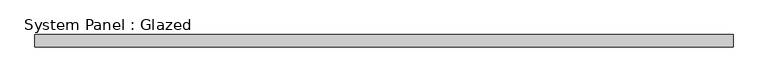
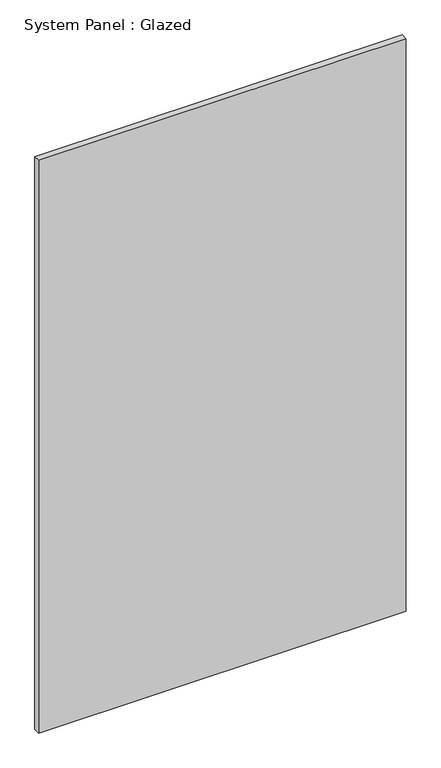
"""IFC4 building model written with IfcOpenShell, lengths in millimetres: plate geometry, System Panel : Glazed."""

from ifc_helpers import new_model, si_unit, origin, origin_with_axes, place, context, project, spatial, polyline, outline, extrude, source, transform, mapped, element, save


def system_panel_glazed_f9fb9fb3(model_context):
    return source(origin(), model_context, "Body", "SweptSolid", [
        extrude(outline(polyline([(705.9210526, 24.5), (-705.9210526, 24.5), (-705.9210526, 49.5), (705.9210526, 49.5), (705.9210526, 24.5)])), origin_with_axes(), (0.0, 0.0, 1.0), 2325.0),
    ])


if __name__ == "__main__":
    model = new_model("IFC4")
    model_context = context("Model", 3, world=origin())
    ifc_project = project(units=[si_unit("LENGTHUNIT", "METRE", prefix="MILLI")], contexts=[model_context])
    site = spatial("IfcSite", under=ifc_project)
    building = spatial("IfcBuilding", under=site)
    placement = place(None, origin())
    system_panel_glazed_shape = system_panel_glazed_f9fb9fb3(model_context)
    element("IfcPlate", 1, ObjectType="System Panel : Glazed", at=placement, inside=building, context=model_context, shape_type="MappedRepresentation", body=[
        mapped(system_panel_glazed_shape, transform((0.0, 0.0, 0.0), x_axis=(1.0, 0.0, 0.0), y_axis=(0.0, 1.0, 0.0), z_axis=(0.0, 0.0, 1.0))),
    ])
    save(model, "model.ifc")
